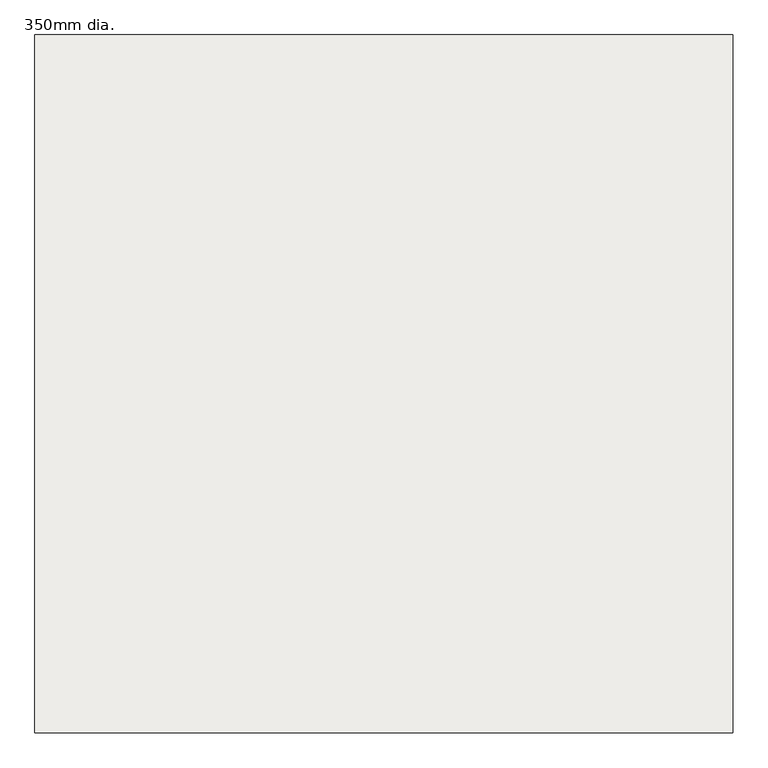
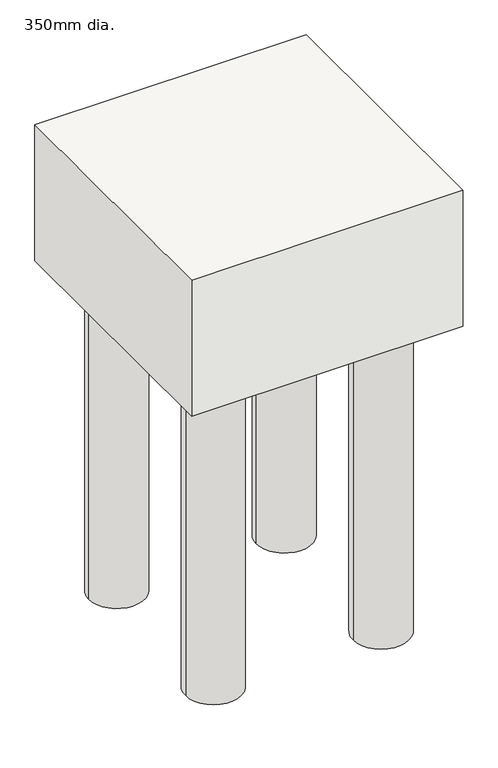
"""IFC4 building model written with IfcOpenShell, lengths in millimetres: slab geometry, 350mm dia.."""

from ifc_helpers import new_model, si_unit, point, frame, frame_2d, origin, place, context, project, spatial, polyline, circle_curve, trimmed, segment, composite_curve, outline, extrude, source, transform, mapped, element, save


def slab_350mm_dia_b2546cdb(model_context):
    return source(origin(), model_context, "Body", "SweptSolid", [
        extrude(outline(composite_curve([segment(trimmed(circle_curve(frame_2d((-525.0, 525.0)), 175.0), [point((-700.0, 525.0))], [point((-350.0, 525.0))], False, "CARTESIAN"), True, "CONTINUOUS"), segment(trimmed(circle_curve(frame_2d((-525.0, 525.0)), 175.0), [point((-350.0, 525.0))], [point((-700.0, 525.0))], False, "CARTESIAN"), True, "CONTINUOUS")], self_intersect=False)), frame((0.0, 0.0, -3000.0), z_axis=(0.0, 0.0, 1.0), x_axis=(1.0, 0.0, 0.0)), (0.0, 0.0, 1.0), 2200.0),
        extrude(outline(composite_curve([segment(trimmed(circle_curve(frame_2d((525.0, 525.0)), 175.0), [point((350.0, 525.0))], [point((700.0, 525.0))], False, "CARTESIAN"), True, "CONTINUOUS"), segment(trimmed(circle_curve(frame_2d((525.0, 525.0)), 175.0), [point((700.0, 525.0))], [point((350.0, 525.0))], False, "CARTESIAN"), True, "CONTINUOUS")], self_intersect=False)), frame((0.0, 0.0, -3000.0), z_axis=(0.0, 0.0, 1.0), x_axis=(1.0, 0.0, 0.0)), (0.0, 0.0, 1.0), 2200.0),
        extrude(outline(composite_curve([segment(trimmed(circle_curve(frame_2d((-525.0, -525.0)), 175.0), [point((-700.0, -525.0))], [point((-350.0, -525.0))], False, "CARTESIAN"), True, "CONTINUOUS"), segment(trimmed(circle_curve(frame_2d((-525.0, -525.0)), 175.0), [point((-350.0, -525.0))], [point((-700.0, -525.0))], False, "CARTESIAN"), True, "CONTINUOUS")], self_intersect=False)), frame((0.0, 0.0, -3000.0), z_axis=(0.0, 0.0, 1.0), x_axis=(1.0, 0.0, 0.0)), (0.0, 0.0, 1.0), 2200.0),
        extrude(outline(composite_curve([segment(trimmed(circle_curve(frame_2d((525.0, -525.0)), 175.0), [point((350.0, -525.0))], [point((700.0, -525.0))], False, "CARTESIAN"), True, "CONTINUOUS"), segment(trimmed(circle_curve(frame_2d((525.0, -525.0)), 175.0), [point((700.0, -525.0))], [point((350.0, -525.0))], False, "CARTESIAN"), True, "CONTINUOUS")], self_intersect=False)), frame((0.0, 0.0, -3000.0), z_axis=(0.0, 0.0, 1.0), x_axis=(1.0, 0.0, 0.0)), (0.0, 0.0, 1.0), 2200.0),
        extrude(outline(polyline([(850.0, 850.0), (850.0, -850.0), (-850.0, -850.0), (-850.0, 850.0), (850.0, 850.0)])), frame((0.0, 0.0, -900.0), z_axis=(0.0, 0.0, 1.0), x_axis=(1.0, 0.0, 0.0)), (0.0, 0.0, 1.0), 900.0),
    ])


if __name__ == "__main__":
    model = new_model("IFC4")
    model_context = context("Model", 3, world=origin())
    ifc_project = project(units=[si_unit("LENGTHUNIT", "METRE", prefix="MILLI")], contexts=[model_context])
    site = spatial("IfcSite", under=ifc_project)
    building = spatial("IfcBuilding", under=site)
    placement = place(None, origin())
    slab_350mm_dia_shape = slab_350mm_dia_b2546cdb(model_context)
    element("IfcSlab", 1, ObjectType="350mm dia.", at=placement, inside=building, context=model_context, shape_type="MappedRepresentation", body=[
        mapped(slab_350mm_dia_shape, transform((0.0, 0.0, 0.0), x_axis=(1.0, 0.0, 0.0), y_axis=(0.0, 1.0, 0.0), z_axis=(0.0, 0.0, 1.0))),
    ])
    save(model, "model.ifc")
